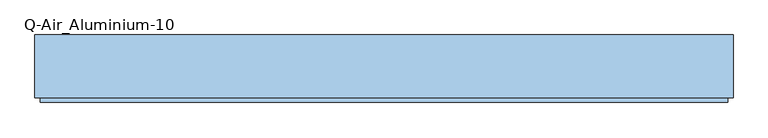
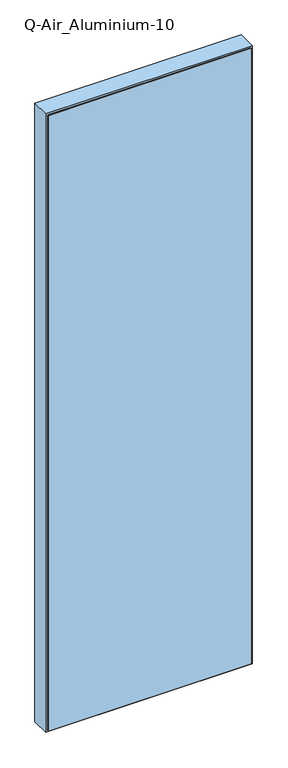
"""IFC4 building model written with IfcOpenShell, lengths in millimetres: window geometry, Q-Air_Aluminium-10."""

import ifcopenshell
import ifcopenshell.guid

model = None  # the IFC model being written
_history = None  # IfcOwnerHistory: only IFC2X3 demands one
_inside = {}  # id of a spatial element -> (the spatial element, [elements in it])
_under = {}  # id of a project, library or spatial element -> (it, [spatial elements below it])
_declared = {}  # id of a project -> (the project, [libraries it declares])
_typed = {}  # id of a type object -> (the type object, [elements of that type])
_made_of = {}  # id of a material, layer set ... -> (it, [elements and type objects made of it])


def new_model(schema):
    """Start an empty IFC model of exactly this schema.

    Asked for "IFC4X3", IfcOpenShell would pick the latest addendum, in which some entities
    have other attributes; the version numbers below select the first issue.
    IFC2X3 requires an IfcOwnerHistory on every rooted entity: one is made here for all.
    """
    global model, _history
    if schema == "IFC4X3":
        model = ifcopenshell.file(schema_version=(4, 3, 0, 0))
    else:
        model = ifcopenshell.file(schema=schema)
    _inside.clear()
    _under.clear()
    _declared.clear()
    _typed.clear()
    _made_of.clear()
    _history = None
    if model.schema == "IFC2X3":
        org = make("IfcOrganization", Name="unknown")
        user = make(
            "IfcPersonAndOrganization",
            ThePerson=make("IfcPerson", FamilyName="unknown"),
            TheOrganization=org,
        )
        app = make(
            "IfcApplication",
            ApplicationDeveloper=org,
            Version="unknown",
            ApplicationFullName="unknown",
            ApplicationIdentifier="unknown",
        )
        _history = make(
            "IfcOwnerHistory",
            OwningUser=user,
            OwningApplication=app,
            ChangeAction="ADDED",
            CreationDate=0,
        )
    return model


def make(cls, **values):
    """One entity of the class cls with the attributes given. An attribute that is None is left unset."""
    return model.create_entity(
        cls, **{name: value for name, value in values.items() if value is not None}
    )


def rooted(cls, **values):
    """An entity with a GlobalId (a new one), such as an element, a storey or a relation."""
    return make(cls, GlobalId=ifcopenshell.guid.new(), OwnerHistory=_history, **values)


def si_unit(unit_type, name, prefix=None):
    """IfcSIUnit, for example si_unit("LENGTHUNIT", "METRE", prefix="MILLI")."""
    return make("IfcSIUnit", UnitType=unit_type, Prefix=prefix, Name=name)


def assignment(units):
    """IfcUnitAssignment: the units of a project."""
    return None if units is None else make("IfcUnitAssignment", Units=units)


def point(xyz):
    """IfcCartesianPoint."""
    return None if xyz is None else make("IfcCartesianPoint", Coordinates=xyz)


def direction(xyz):
    """IfcDirection."""
    return None if xyz is None else make("IfcDirection", DirectionRatios=xyz)


def frame(location, z_axis=None, x_axis=None):
    """IfcAxis2Placement3D, a coordinate frame: its origin and axes. An axis left out is left unset."""
    return make(
        "IfcAxis2Placement3D",
        Location=point(location),
        Axis=direction(z_axis),
        RefDirection=direction(x_axis),
    )


def origin():
    """The frame at (0, 0, 0) with its axes left unset."""
    return frame((0.0, 0.0, 0.0))


def place(relative_to, where):
    """IfcLocalPlacement: puts the frame where relative to a parent placement (None: the world)."""
    return make(
        "IfcLocalPlacement", PlacementRelTo=relative_to, RelativePlacement=where
    )


def context(
    kind, dimensions, precision=None, world=None, true_north=None, identifier=None
):
    """IfcGeometricRepresentationContext, for example the 3D "Model" context."""
    return make(
        "IfcGeometricRepresentationContext",
        ContextIdentifier=identifier,
        ContextType=kind,
        CoordinateSpaceDimension=dimensions,
        Precision=precision,
        WorldCoordinateSystem=world,
        TrueNorth=true_north,
    )


def project(units=None, contexts=None):
    """IfcProject with its units and contexts."""
    return rooted(
        "IfcProject",
        Name="project",
        RepresentationContexts=contexts,
        UnitsInContext=assignment(units),
    )


def spatial(cls, under=None, at=None, **own):
    """A site, building, storey or space (cls), placed at a placement, below another one or the project."""
    s = rooted(cls, ObjectPlacement=at, **own)
    if under is not None:
        _under.setdefault(under.id(), (under, []))[1].append(s)
    return s


def polyline(points):
    """IfcPolyline through the points."""
    return make("IfcPolyline", Points=[point(p) for p in points])


def outline(outer, holes=None, kind="AREA"):
    """IfcArbitraryClosedProfileDef: a profile drawn as a closed curve; with holes, ...WithVoids."""
    if holes is None:
        return make("IfcArbitraryClosedProfileDef", ProfileType=kind, OuterCurve=outer)
    return make(
        "IfcArbitraryProfileDefWithVoids",
        ProfileType=kind,
        OuterCurve=outer,
        InnerCurves=holes,
    )


def extrude(swept, where, along, depth):
    """IfcExtrudedAreaSolid: the profile swept, set in the frame where, extruded along a direction by depth."""
    return make(
        "IfcExtrudedAreaSolid",
        SweptArea=swept,
        Position=where,
        ExtrudedDirection=direction(along),
        Depth=depth,
    )


def shape(context_of_items, identifier, shape_type, items):
    """IfcShapeRepresentation: the items that make up one representation, for example the "Body"."""
    return make(
        "IfcShapeRepresentation",
        ContextOfItems=context_of_items,
        RepresentationIdentifier=identifier,
        RepresentationType=shape_type,
        Items=items,
    )


def source(mapping_origin, context_of_items, identifier, shape_type, items):
    """IfcRepresentationMap: a shape defined once, which mapped items show again and again."""
    return make(
        "IfcRepresentationMap",
        MappingOrigin=mapping_origin,
        MappedRepresentation=shape(context_of_items, identifier, shape_type, items),
    )


def transform(
    local_origin,
    x_axis=None,
    y_axis=None,
    z_axis=None,
    scale=None,
    scale2=None,
    scale3=None,
    uniform=True,
):
    """IfcCartesianTransformationOperator3D, or its non-uniform kind. x_axis, y_axis, z_axis: its Axis1, 2, 3."""
    if uniform:
        return make(
            "IfcCartesianTransformationOperator3D",
            Axis1=direction(x_axis),
            Axis2=direction(y_axis),
            LocalOrigin=point(local_origin),
            Scale=scale,
            Axis3=direction(z_axis),
        )
    return make(
        "IfcCartesianTransformationOperator3DnonUniform",
        Axis1=direction(x_axis),
        Axis2=direction(y_axis),
        LocalOrigin=point(local_origin),
        Scale=scale,
        Axis3=direction(z_axis),
        Scale2=scale2,
        Scale3=scale3,
    )


def mapped(mapping_source, mapping_target):
    """IfcMappedItem: shows the shape of a source again, moved by a transform."""
    return make(
        "IfcMappedItem", MappingSource=mapping_source, MappingTarget=mapping_target
    )


def made_of(thing, what):
    """Note that an element or type object is made of a material, layer set ...; save() writes the relation."""
    if what is not None:
        _made_of.setdefault(what.id(), (what, []))[1].append(thing)
    return thing


def element(
    cls,
    number,
    at=None,
    inside=None,
    cuts=None,
    type_object=None,
    material=None,
    context=None,
    identifier="Body",
    shape_type=None,
    held_by="IfcProductDefinitionShape",
    body=None,
    shapes=None,
    **own,
):
    """One element of the class cls, such as IfcWall. Its Tag is "e" and its number.

    at: its placement. inside: the storey or other place that contains it. cuts: it is an
    opening in that element (IfcRelVoidsElement). A single representation is given by context,
    identifier, shape_type and body (its items); several are given by shapes. held_by: the class
    of the entity that holds the representations. save() writes the other relations.
    """
    e = rooted(cls, Tag="e%d" % number, ObjectPlacement=at, **own)
    if body is not None:
        shapes = [shape(context, identifier, shape_type, body)]
    if shapes is not None:
        e.Representation = make(held_by, Representations=shapes)
    if inside is not None:
        _inside.setdefault(inside.id(), (inside, []))[1].append(e)
    if cuts is not None:
        rooted(
            "IfcRelVoidsElement", RelatingBuildingElement=cuts, RelatedOpeningElement=e
        )
    if type_object is not None:
        _typed.setdefault(type_object.id(), (type_object, []))[1].append(e)
    return made_of(e, material)


def aggregate(whole, parts):
    """IfcRelAggregates: a whole, such as a stair, and the parts it consists of."""
    return rooted("IfcRelAggregates", RelatingObject=whole, RelatedObjects=parts)


def save(model, path):
    """Write the relations noted so far, then the file.

    IfcRelAggregates (storeys below a building ...), IfcRelContainedInSpatialStructure (elements
    in a storey), IfcRelDefinesByType, IfcRelAssociatesMaterial and IfcRelDeclares: one each for
    every whole, place, type object, material and project.
    """
    for whole, parts in _under.values():
        aggregate(whole, parts)
    for where, things in _inside.values():
        rooted(
            "IfcRelContainedInSpatialStructure",
            RelatedElements=things,
            RelatingStructure=where,
        )
    for kind, things in _typed.values():
        rooted("IfcRelDefinesByType", RelatedObjects=things, RelatingType=kind)
    for what, things in _made_of.values():
        rooted("IfcRelAssociatesMaterial", RelatedObjects=things, RelatingMaterial=what)
    for by, libraries in _declared.values():
        rooted("IfcRelDeclares", RelatingContext=by, RelatedDefinitions=libraries)
    model.write(path)


def q_air_aluminium_10_070cba07(model_context):
    return source(origin(), model_context, "Body", "SweptSolid", [
        extrude(outline(polyline([(4020.0, 635.0), (4020.0, -635.0), (0.0, -635.0), (0.0, 635.0), (4020.0, 635.0)]), holes=[polyline([(3962.0, 577.0), (58.0, 577.0), (58.0, -577.0), (3962.0, -577.0), (3962.0, 577.0)])]), frame((0.0, -114.5, 0.0), z_axis=(0.0, 1.0, 0.0), x_axis=(0.0, 0.0, 1.0)), (0.0, 0.0, 1.0), 114.5),
        extrude(outline(polyline([(577.0, 0.0), (577.0, -12.5), (-577.0, -12.5), (-577.0, 0.0), (577.0, 0.0)])), frame((0.0, 0.0, 58.0), z_axis=(0.0, 0.0, 1.0), x_axis=(1.0, 0.0, 0.0)), (0.0, 0.0, 1.0), 3904.0),
        extrude(outline(polyline([(625.0, -114.5), (625.0, -122.5), (-625.0, -122.5), (-625.0, -114.5), (625.0, -114.5)])), frame((0.0, 0.0, 10.0), z_axis=(0.0, 0.0, 1.0), x_axis=(1.0, 0.0, 0.0)), (0.0, 0.0, 1.0), 4000.0),
        extrude(outline(polyline([(4010.0, 625.0), (4010.0, -625.0), (10.0, -625.0), (10.0, 625.0), (4010.0, 625.0)]), holes=[polyline([(3962.0, 577.0), (58.0, 577.0), (58.0, -577.0), (3962.0, -577.0), (3962.0, 577.0)])]), frame((0.0, -118.5, 0.0), z_axis=(0.0, 1.0, 0.0), x_axis=(0.0, 0.0, 1.0)), (0.0, 0.0, 1.0), 4.0),
    ])


if __name__ == "__main__":
    model = new_model("IFC4")
    model_context = context("Model", 3, world=origin())
    ifc_project = project(units=[si_unit("LENGTHUNIT", "METRE", prefix="MILLI")], contexts=[model_context])
    site = spatial("IfcSite", under=ifc_project)
    building = spatial("IfcBuilding", under=site)
    placement = place(None, origin())
    q_air_aluminium_10_shape = q_air_aluminium_10_070cba07(model_context)
    element("IfcWindow", 1, ObjectType="Q-Air_Aluminium-10", at=placement, inside=building, context=model_context, shape_type="MappedRepresentation", body=[
        mapped(q_air_aluminium_10_shape, transform((0.0, 0.0, 0.0), x_axis=(1.0, 0.0, 0.0), y_axis=(0.0, 1.0, 0.0), z_axis=(0.0, 0.0, 1.0))),
    ])
    save(model, "model.ifc")
